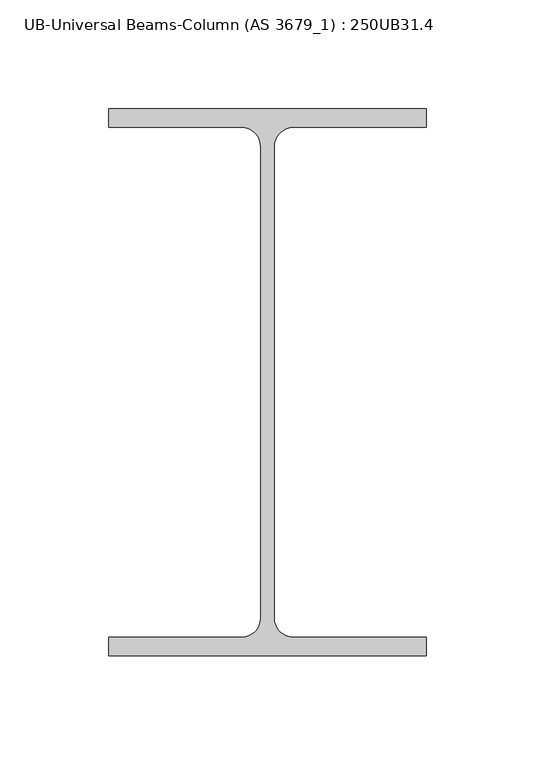
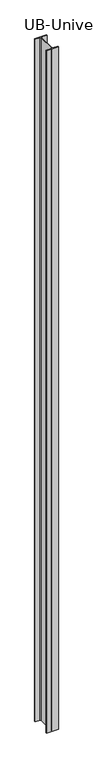
"""IFC4 building model written with IfcOpenShell, lengths in millimetres: column geometry, UB-Universal Beams-Column (AS 3679_1) : 250UB31.4."""

import ifcopenshell
import ifcopenshell.guid

model = None  # the IFC model being written
_history = None  # IfcOwnerHistory: only IFC2X3 demands one
_inside = {}  # id of a spatial element -> (the spatial element, [elements in it])
_under = {}  # id of a project, library or spatial element -> (it, [spatial elements below it])
_declared = {}  # id of a project -> (the project, [libraries it declares])
_typed = {}  # id of a type object -> (the type object, [elements of that type])
_made_of = {}  # id of a material, layer set ... -> (it, [elements and type objects made of it])


def new_model(schema):
    """Start an empty IFC model of exactly this schema.

    Asked for "IFC4X3", IfcOpenShell would pick the latest addendum, in which some entities
    have other attributes; the version numbers below select the first issue.
    IFC2X3 requires an IfcOwnerHistory on every rooted entity: one is made here for all.
    """
    global model, _history
    if schema == "IFC4X3":
        model = ifcopenshell.file(schema_version=(4, 3, 0, 0))
    else:
        model = ifcopenshell.file(schema=schema)
    _inside.clear()
    _under.clear()
    _declared.clear()
    _typed.clear()
    _made_of.clear()
    _history = None
    if model.schema == "IFC2X3":
        org = make("IfcOrganization", Name="unknown")
        user = make(
            "IfcPersonAndOrganization",
            ThePerson=make("IfcPerson", FamilyName="unknown"),
            TheOrganization=org,
        )
        app = make(
            "IfcApplication",
            ApplicationDeveloper=org,
            Version="unknown",
            ApplicationFullName="unknown",
            ApplicationIdentifier="unknown",
        )
        _history = make(
            "IfcOwnerHistory",
            OwningUser=user,
            OwningApplication=app,
            ChangeAction="ADDED",
            CreationDate=0,
        )
    return model


def make(cls, **values):
    """One entity of the class cls with the attributes given. An attribute that is None is left unset."""
    return model.create_entity(
        cls, **{name: value for name, value in values.items() if value is not None}
    )


def rooted(cls, **values):
    """An entity with a GlobalId (a new one), such as an element, a storey or a relation."""
    return make(cls, GlobalId=ifcopenshell.guid.new(), OwnerHistory=_history, **values)


def si_unit(unit_type, name, prefix=None):
    """IfcSIUnit, for example si_unit("LENGTHUNIT", "METRE", prefix="MILLI")."""
    return make("IfcSIUnit", UnitType=unit_type, Prefix=prefix, Name=name)


def assignment(units):
    """IfcUnitAssignment: the units of a project."""
    return None if units is None else make("IfcUnitAssignment", Units=units)


def point(xyz):
    """IfcCartesianPoint."""
    return None if xyz is None else make("IfcCartesianPoint", Coordinates=xyz)


def direction(xyz):
    """IfcDirection."""
    return None if xyz is None else make("IfcDirection", DirectionRatios=xyz)


def frame(location, z_axis=None, x_axis=None):
    """IfcAxis2Placement3D, a coordinate frame: its origin and axes. An axis left out is left unset."""
    return make(
        "IfcAxis2Placement3D",
        Location=point(location),
        Axis=direction(z_axis),
        RefDirection=direction(x_axis),
    )


def frame_2d(location, x_axis=None):
    """IfcAxis2Placement2D, a coordinate frame in the plane: its origin and x axis."""
    return make(
        "IfcAxis2Placement2D", Location=point(location), RefDirection=direction(x_axis)
    )


def origin():
    """The frame at (0, 0, 0) with its axes left unset."""
    return frame((0.0, 0.0, 0.0))


def place(relative_to, where):
    """IfcLocalPlacement: puts the frame where relative to a parent placement (None: the world)."""
    return make(
        "IfcLocalPlacement", PlacementRelTo=relative_to, RelativePlacement=where
    )


def context(
    kind, dimensions, precision=None, world=None, true_north=None, identifier=None
):
    """IfcGeometricRepresentationContext, for example the 3D "Model" context."""
    return make(
        "IfcGeometricRepresentationContext",
        ContextIdentifier=identifier,
        ContextType=kind,
        CoordinateSpaceDimension=dimensions,
        Precision=precision,
        WorldCoordinateSystem=world,
        TrueNorth=true_north,
    )


def project(units=None, contexts=None):
    """IfcProject with its units and contexts."""
    return rooted(
        "IfcProject",
        Name="project",
        RepresentationContexts=contexts,
        UnitsInContext=assignment(units),
    )


def spatial(cls, under=None, at=None, **own):
    """A site, building, storey or space (cls), placed at a placement, below another one or the project."""
    s = rooted(cls, ObjectPlacement=at, **own)
    if under is not None:
        _under.setdefault(under.id(), (under, []))[1].append(s)
    return s


def polyline(points):
    """IfcPolyline through the points."""
    return make("IfcPolyline", Points=[point(p) for p in points])


def circle_curve(where, radius):
    """IfcCircle in the frame where."""
    return make("IfcCircle", Position=where, Radius=radius)


def trimmed(basis, trim1, trim2, sense, master):
    """IfcTrimmedCurve: the piece of a basis curve between two trims."""
    return make(
        "IfcTrimmedCurve",
        BasisCurve=basis,
        Trim1=trim1,
        Trim2=trim2,
        SenseAgreement=sense,
        MasterRepresentation=master,
    )


def segment(curve, same_sense, transition):
    """IfcCompositeCurveSegment."""
    return make(
        "IfcCompositeCurveSegment",
        Transition=transition,
        SameSense=same_sense,
        ParentCurve=curve,
    )


def composite_curve(segments, self_intersect=None):
    """IfcCompositeCurve: segments joined end to end."""
    return make("IfcCompositeCurve", Segments=segments, SelfIntersect=self_intersect)


def outline(outer, holes=None, kind="AREA"):
    """IfcArbitraryClosedProfileDef: a profile drawn as a closed curve; with holes, ...WithVoids."""
    if holes is None:
        return make("IfcArbitraryClosedProfileDef", ProfileType=kind, OuterCurve=outer)
    return make(
        "IfcArbitraryProfileDefWithVoids",
        ProfileType=kind,
        OuterCurve=outer,
        InnerCurves=holes,
    )


def extrude(swept, where, along, depth):
    """IfcExtrudedAreaSolid: the profile swept, set in the frame where, extruded along a direction by depth."""
    return make(
        "IfcExtrudedAreaSolid",
        SweptArea=swept,
        Position=where,
        ExtrudedDirection=direction(along),
        Depth=depth,
    )


def shape(context_of_items, identifier, shape_type, items):
    """IfcShapeRepresentation: the items that make up one representation, for example the "Body"."""
    return make(
        "IfcShapeRepresentation",
        ContextOfItems=context_of_items,
        RepresentationIdentifier=identifier,
        RepresentationType=shape_type,
        Items=items,
    )


def source(mapping_origin, context_of_items, identifier, shape_type, items):
    """IfcRepresentationMap: a shape defined once, which mapped items show again and again."""
    return make(
        "IfcRepresentationMap",
        MappingOrigin=mapping_origin,
        MappedRepresentation=shape(context_of_items, identifier, shape_type, items),
    )


def transform(
    local_origin,
    x_axis=None,
    y_axis=None,
    z_axis=None,
    scale=None,
    scale2=None,
    scale3=None,
    uniform=True,
):
    """IfcCartesianTransformationOperator3D, or its non-uniform kind. x_axis, y_axis, z_axis: its Axis1, 2, 3."""
    if uniform:
        return make(
            "IfcCartesianTransformationOperator3D",
            Axis1=direction(x_axis),
            Axis2=direction(y_axis),
            LocalOrigin=point(local_origin),
            Scale=scale,
            Axis3=direction(z_axis),
        )
    return make(
        "IfcCartesianTransformationOperator3DnonUniform",
        Axis1=direction(x_axis),
        Axis2=direction(y_axis),
        LocalOrigin=point(local_origin),
        Scale=scale,
        Axis3=direction(z_axis),
        Scale2=scale2,
        Scale3=scale3,
    )


def mapped(mapping_source, mapping_target):
    """IfcMappedItem: shows the shape of a source again, moved by a transform."""
    return make(
        "IfcMappedItem", MappingSource=mapping_source, MappingTarget=mapping_target
    )


def made_of(thing, what):
    """Note that an element or type object is made of a material, layer set ...; save() writes the relation."""
    if what is not None:
        _made_of.setdefault(what.id(), (what, []))[1].append(thing)
    return thing


def element(
    cls,
    number,
    at=None,
    inside=None,
    cuts=None,
    type_object=None,
    material=None,
    context=None,
    identifier="Body",
    shape_type=None,
    held_by="IfcProductDefinitionShape",
    body=None,
    shapes=None,
    **own,
):
    """One element of the class cls, such as IfcWall. Its Tag is "e" and its number.

    at: its placement. inside: the storey or other place that contains it. cuts: it is an
    opening in that element (IfcRelVoidsElement). A single representation is given by context,
    identifier, shape_type and body (its items); several are given by shapes. held_by: the class
    of the entity that holds the representations. save() writes the other relations.
    """
    e = rooted(cls, Tag="e%d" % number, ObjectPlacement=at, **own)
    if body is not None:
        shapes = [shape(context, identifier, shape_type, body)]
    if shapes is not None:
        e.Representation = make(held_by, Representations=shapes)
    if inside is not None:
        _inside.setdefault(inside.id(), (inside, []))[1].append(e)
    if cuts is not None:
        rooted(
            "IfcRelVoidsElement", RelatingBuildingElement=cuts, RelatedOpeningElement=e
        )
    if type_object is not None:
        _typed.setdefault(type_object.id(), (type_object, []))[1].append(e)
    return made_of(e, material)


def aggregate(whole, parts):
    """IfcRelAggregates: a whole, such as a stair, and the parts it consists of."""
    return rooted("IfcRelAggregates", RelatingObject=whole, RelatedObjects=parts)


def save(model, path):
    """Write the relations noted so far, then the file.

    IfcRelAggregates (storeys below a building ...), IfcRelContainedInSpatialStructure (elements
    in a storey), IfcRelDefinesByType, IfcRelAssociatesMaterial and IfcRelDeclares: one each for
    every whole, place, type object, material and project.
    """
    for whole, parts in _under.values():
        aggregate(whole, parts)
    for where, things in _inside.values():
        rooted(
            "IfcRelContainedInSpatialStructure",
            RelatedElements=things,
            RelatingStructure=where,
        )
    for kind, things in _typed.values():
        rooted("IfcRelDefinesByType", RelatedObjects=things, RelatingType=kind)
    for what, things in _made_of.values():
        rooted("IfcRelAssociatesMaterial", RelatedObjects=things, RelatingMaterial=what)
    for by, libraries in _declared.values():
        rooted("IfcRelDeclares", RelatingContext=by, RelatedDefinitions=libraries)
    model.write(path)


def ub_universal_beams_column_as_3679_1_250ub31_4_049564d5(model_context):
    return source(origin(), model_context, "Body", "SweptSolid", [
        extrude(outline(composite_curve([segment(polyline([(73.0, 125.8), (73.0, 117.2), (11.95, 117.2)]), True, "CONTINUOUS"), segment(trimmed(circle_curve(frame_2d((11.95, 108.3)), 8.9), [point((11.95, 117.2))], [point((3.05, 108.3))], True, "CARTESIAN"), True, "CONTINUOUS"), segment(polyline([(3.05, 108.3), (3.05, -108.3)]), True, "CONTINUOUS"), segment(trimmed(circle_curve(frame_2d((11.95, -108.3)), 8.9), [point((3.05, -108.3))], [point((11.95, -117.2))], True, "CARTESIAN"), True, "CONTINUOUS"), segment(polyline([(11.95, -117.2), (73.0, -117.2), (73.0, -125.8), (-73.0, -125.8), (-73.0, -117.2), (-11.95, -117.2)]), True, "CONTINUOUS"), segment(trimmed(circle_curve(frame_2d((-11.95, -108.3)), 8.9), [point((-11.95, -117.2))], [point((-3.05, -108.3))], True, "CARTESIAN"), True, "CONTINUOUS"), segment(polyline([(-3.05, -108.3), (-3.05, 108.3)]), True, "CONTINUOUS"), segment(trimmed(circle_curve(frame_2d((-11.95, 108.3)), 8.9), [point((-3.05, 108.3))], [point((-11.95, 117.2))], True, "CARTESIAN"), True, "CONTINUOUS"), segment(polyline([(-11.95, 117.2), (-73.0, 117.2), (-73.0, 125.8), (73.0, 125.8)]), True, "CONTINUOUS")], self_intersect=False)), frame((0.0, 0.0, -250.0), z_axis=(0.0, 0.0, 1.0), x_axis=(1.0, 0.0, 0.0)), (0.0, 0.0, 1.0), 8880.0),
    ])


if __name__ == "__main__":
    model = new_model("IFC4")
    model_context = context("Model", 3, world=origin())
    ifc_project = project(units=[si_unit("LENGTHUNIT", "METRE", prefix="MILLI")], contexts=[model_context])
    site = spatial("IfcSite", under=ifc_project)
    building = spatial("IfcBuilding", under=site)
    placement = place(None, origin())
    ub_universal_beams_column_as_3679_1_250ub31_4_shape = ub_universal_beams_column_as_3679_1_250ub31_4_049564d5(model_context)
    element("IfcColumn", 1, ObjectType="UB-Universal Beams-Column (AS 3679_1) : 250UB31.4", at=placement, inside=building, context=model_context, shape_type="MappedRepresentation", body=[
        mapped(ub_universal_beams_column_as_3679_1_250ub31_4_shape, transform((0.0, 0.0, 0.0), x_axis=(1.0, 0.0, 0.0), y_axis=(0.0, 1.0, 0.0), z_axis=(0.0, 0.0, 1.0))),
    ])
    save(model, "model.ifc")
